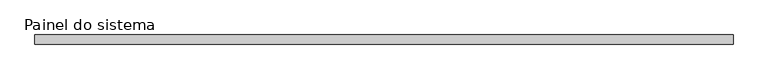
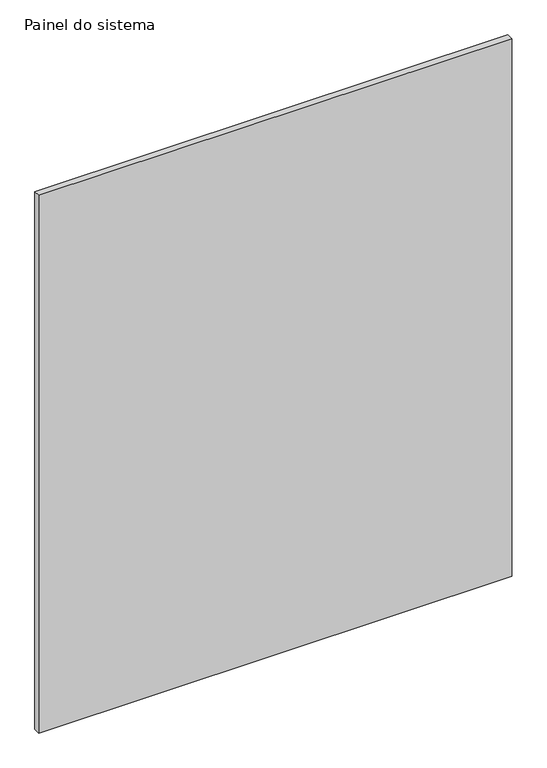
"""IFC4 building model written with IfcOpenShell, lengths in millimetres: plate geometry, Painel do sistema."""

from ifc_helpers import new_model, si_unit, origin, origin_with_axes, place, context, project, spatial, polyline, outline, extrude, source, transform, mapped, element, save


def painel_do_sistema_3c93bcdd(model_context):
    return source(origin(), model_context, "Body", "SweptSolid", [
        extrude(outline(polyline([(915.0000002, 24.5), (-915.0000002, 24.5), (-915.0000002, 49.5), (915.0000002, 49.5), (915.0000002, 24.5)])), origin_with_axes(), (0.0, 0.0, 1.0), 2200.0),
    ])


if __name__ == "__main__":
    model = new_model("IFC4")
    model_context = context("Model", 3, world=origin())
    ifc_project = project(units=[si_unit("LENGTHUNIT", "METRE", prefix="MILLI")], contexts=[model_context])
    site = spatial("IfcSite", under=ifc_project)
    building = spatial("IfcBuilding", under=site)
    placement = place(None, origin())
    painel_do_sistema_shape = painel_do_sistema_3c93bcdd(model_context)
    element("IfcPlate", 1, ObjectType="Painel do sistema", at=placement, inside=building, context=model_context, shape_type="MappedRepresentation", body=[
        mapped(painel_do_sistema_shape, transform((0.0, 0.0, 0.0), x_axis=(1.0, 0.0, 0.0), y_axis=(0.0, 1.0, 0.0), z_axis=(0.0, 0.0, 1.0))),
    ])
    save(model, "model.ifc")
